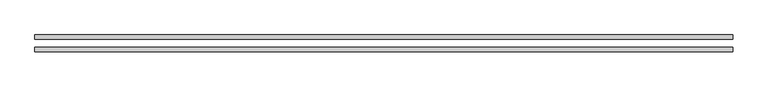
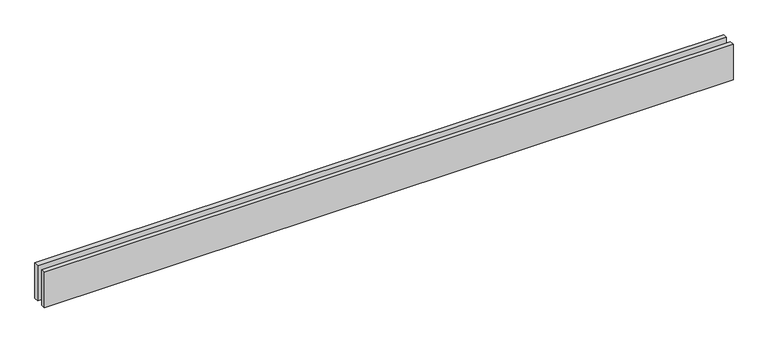
"""IFC4 building model written with IfcOpenShell, lengths in millimetres: proxy geometry."""

from ifc_helpers import new_model, si_unit, origin, origin_with_axes, place, context, project, spatial, polyline, outline, extrude, source, transform, mapped, element, save


def generic_models_633e0a6f(model_context):
    return source(origin(), model_context, "Body", "SweptSolid", [
        extrude(outline(polyline([(4600.0, -25.0), (4600.0, -55.0), (0.0, -55.0), (0.0, -25.0), (4600.0, -25.0)])), origin_with_axes(), (0.0, 0.0, 1.0), 250.0),
        extrude(outline(polyline([(4600.0, 55.0), (4600.0, 25.0), (0.0, 25.0), (0.0, 55.0), (4600.0, 55.0)])), origin_with_axes(), (0.0, 0.0, 1.0), 250.0),
    ])


if __name__ == "__main__":
    model = new_model("IFC4")
    model_context = context("Model", 3, world=origin())
    ifc_project = project(units=[si_unit("LENGTHUNIT", "METRE", prefix="MILLI")], contexts=[model_context])
    site = spatial("IfcSite", under=ifc_project)
    building = spatial("IfcBuilding", under=site)
    placement = place(None, origin())
    generic_models_shape = generic_models_633e0a6f(model_context)
    element("IfcBuildingElementProxy", 1, Name="Generic Models", at=placement, inside=building, context=model_context, shape_type="MappedRepresentation", body=[
        mapped(generic_models_shape, transform((0.0, 0.0, 0.0), x_axis=(1.0, 0.0, 0.0), y_axis=(0.0, 1.0, 0.0), z_axis=(0.0, 0.0, 1.0))),
    ])
    save(model, "model.ifc")
